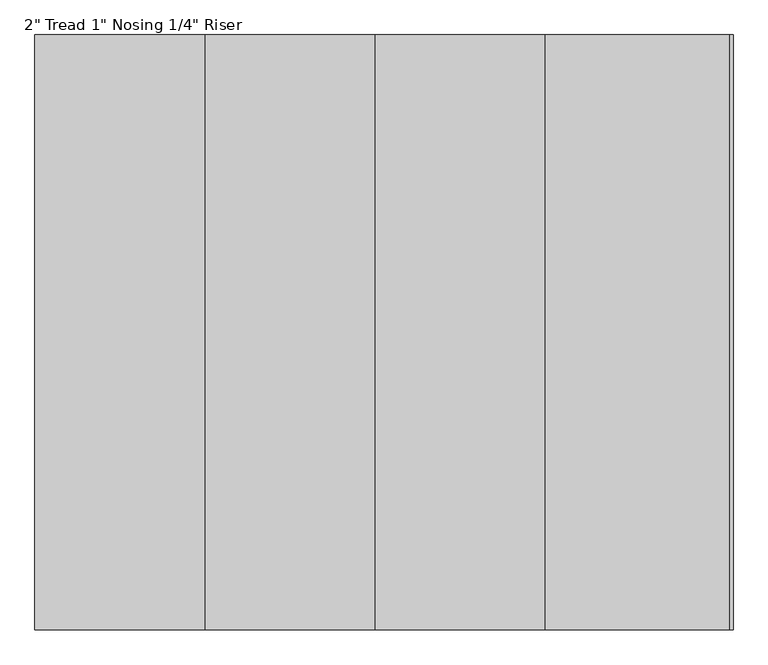
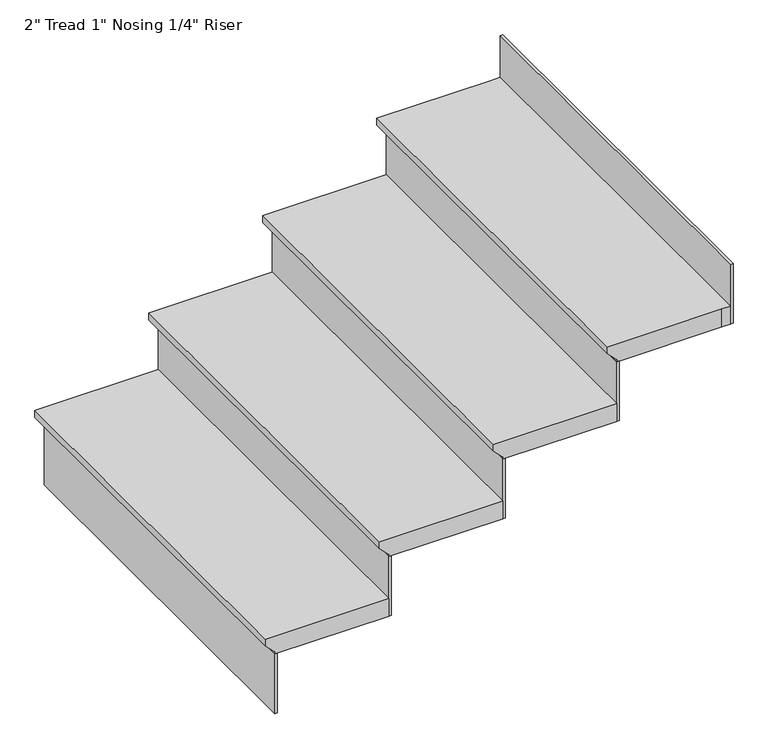
"""IFC4 building model written with IfcOpenShell, lengths in millimetres: stair flight geometry."""

from ifc_helpers import new_model, si_unit, origin, place, context, project, spatial, faceted_brep, source, transform, mapped, element, save


def stair_flight_0c0ae21b(model_context):
    return source(origin(), model_context, "Body", "Brep", [
        faceted_brep([(27200.036035, -7789.4798674, 1162.7970588), (27200.036035, -7789.4798674, 1181.8470588), (27200.036035, -6722.6798674, 1181.8470588), (27200.036035, -6722.6798674, 1162.7970588), (27225.436035, -7789.4798674, 1137.3970588), (27225.436035, -6722.6798674, 1137.3970588), (27530.236035, -7789.4798674, 1181.8470588), (27530.236035, -6722.6798674, 1181.8470588), (27225.436035, -6722.6798674, 1131.0470588), (27530.236035, -6722.6798674, 1131.0470588), (27530.236035, -7789.4798674, 1131.0470588), (27225.436035, -7789.4798674, 1131.0470588)], [[[0, 1, 2, 3]], [[4, 0, 3, 5]], [[2, 1, 6, 7]], [[8, 9, 10, 11]], [[2, 7, 9, 8, 5, 3]], [[8, 11, 4, 5]], [[6, 1, 0, 4, 11, 10]], [[7, 6, 10, 9]]]),
        faceted_brep([(27225.436035, -7789.4798674, 1131.0470588), (27225.436035, -7789.4798674, 962.2117647), (27231.786035, -7789.4798674, 962.2117647), (27231.786035, -7789.4798674, 1131.0470588), (27225.436035, -6722.6798674, 1131.0470588), (27231.786035, -6722.6798674, 1131.0470588), (27231.786035, -6722.6798674, 962.2117647), (27225.436035, -6722.6798674, 962.2117647)], [[[0, 1, 2, 3]], [[4, 5, 6, 7]], [[1, 0, 4, 7]], [[2, 1, 7, 6]], [[3, 2, 6, 5]], [[0, 3, 5, 4]]]),
        faceted_brep([(27530.236035, -7789.4798674, 1299.8823529), (27530.236035, -7789.4798674, 1131.0470588), (27536.586035, -7789.4798674, 1131.0470588), (27536.586035, -7789.4798674, 1299.8823529), (27530.236035, -6722.6798674, 1299.8823529), (27536.586035, -6722.6798674, 1299.8823529), (27536.586035, -6722.6798674, 1131.0470588), (27530.236035, -6722.6798674, 1131.0470588)], [[[0, 1, 2, 3]], [[4, 5, 6, 7]], [[1, 0, 4, 7]], [[2, 1, 7, 6]], [[3, 2, 6, 5]], [[0, 3, 5, 4]]]),
        faceted_brep([(27504.836035, -6722.6798674, 1350.6823529), (27504.836035, -7789.4798674, 1350.6823529), (27835.036035, -7789.4798674, 1350.6823529), (27835.036035, -6722.6798674, 1350.6823529), (27530.236035, -6722.6798674, 1299.8823529), (27835.036035, -6722.6798674, 1299.8823529), (27835.036035, -7789.4798674, 1299.8823529), (27530.236035, -7789.4798674, 1299.8823529), (27530.236035, -6722.6798674, 1306.2323529), (27504.836035, -6722.6798674, 1331.6323529), (27530.236035, -7789.4798674, 1306.2323529), (27504.836035, -7789.4798674, 1331.6323529)], [[[0, 1, 2, 3]], [[4, 5, 6, 7]], [[0, 3, 5, 4, 8, 9]], [[4, 7, 10, 8]], [[2, 1, 11, 10, 7, 6]], [[3, 2, 6, 5]], [[11, 1, 0, 9]], [[10, 11, 9, 8]]]),
        faceted_brep([(27835.036035, -7789.4798674, 1468.7176471), (27835.036035, -7789.4798674, 1299.8823529), (27841.386035, -7789.4798674, 1299.8823529), (27841.386035, -7789.4798674, 1468.7176471), (27835.036035, -6722.6798674, 1468.7176471), (27841.386035, -6722.6798674, 1468.7176471), (27841.386035, -6722.6798674, 1299.8823529), (27835.036035, -6722.6798674, 1299.8823529)], [[[0, 1, 2, 3]], [[4, 5, 6, 7]], [[1, 0, 4, 7]], [[2, 1, 7, 6]], [[3, 2, 6, 5]], [[0, 3, 5, 4]]]),
        faceted_brep([(27809.636035, -6722.6798674, 1519.5176471), (27809.636035, -7789.4798674, 1519.5176471), (28139.836035, -7789.4798674, 1519.5176471), (28139.836035, -6722.6798674, 1519.5176471), (27835.036035, -6722.6798674, 1468.7176471), (28139.836035, -6722.6798674, 1468.7176471), (28139.836035, -7789.4798674, 1468.7176471), (27835.036035, -7789.4798674, 1468.7176471), (27835.036035, -6722.6798674, 1475.0676471), (27809.636035, -6722.6798674, 1500.4676471), (27835.036035, -7789.4798674, 1475.0676471), (27809.636035, -7789.4798674, 1500.4676471)], [[[0, 1, 2, 3]], [[4, 5, 6, 7]], [[0, 3, 5, 4, 8, 9]], [[4, 7, 10, 8]], [[2, 1, 11, 10, 7, 6]], [[3, 2, 6, 5]], [[11, 1, 0, 9]], [[10, 11, 9, 8]]]),
        faceted_brep([(28444.636035, -7789.4798674, 1806.3882353), (28444.636035, -7789.4798674, 1637.5529412), (28450.986035, -7789.4798674, 1637.5529412), (28450.986035, -7789.4798674, 1806.3882353), (28444.636035, -6722.6798674, 1806.3882353), (28450.986035, -6722.6798674, 1806.3882353), (28450.986035, -6722.6798674, 1637.5529412), (28444.636035, -6722.6798674, 1637.5529412)], [[[0, 1, 2, 3]], [[4, 5, 6, 7]], [[1, 0, 4, 7]], [[2, 1, 7, 6]], [[3, 2, 6, 5]], [[0, 3, 5, 4]]]),
        faceted_brep([(28139.836035, -7789.4798674, 1637.5529412), (28139.836035, -7789.4798674, 1468.7176471), (28146.186035, -7789.4798674, 1468.7176471), (28146.186035, -7789.4798674, 1637.5529412), (28139.836035, -6722.6798674, 1637.5529412), (28146.186035, -6722.6798674, 1637.5529412), (28146.186035, -6722.6798674, 1468.7176471), (28139.836035, -6722.6798674, 1468.7176471)], [[[0, 1, 2, 3]], [[4, 5, 6, 7]], [[1, 0, 4, 7]], [[2, 1, 7, 6]], [[3, 2, 6, 5]], [[0, 3, 5, 4]]]),
        faceted_brep([(28444.636035, -6722.6798674, 1688.3529412), (28419.236035, -6722.6798674, 1688.3529412), (28114.436035, -6722.6798674, 1688.3529412), (28114.436035, -7789.4798674, 1688.3529412), (28419.236035, -7789.4798674, 1688.3529412), (28444.636035, -7789.4798674, 1688.3529412), (28419.236035, -6722.6798674, 1637.5529412), (28444.636035, -6722.6798674, 1637.5529412), (28444.636035, -7789.4798674, 1637.5529412), (28419.236035, -7789.4798674, 1637.5529412), (28139.836035, -7789.4798674, 1637.5529412), (28139.836035, -6722.6798674, 1637.5529412), (28139.836035, -6722.6798674, 1643.9029412), (28114.436035, -6722.6798674, 1669.3029412), (28139.836035, -7789.4798674, 1643.9029412), (28114.436035, -7789.4798674, 1669.3029412)], [[[0, 1, 2, 3, 4, 5]], [[6, 7, 8, 9, 10, 11]], [[1, 0, 7, 6]], [[2, 1, 6, 11, 12, 13]], [[11, 10, 14, 12]], [[4, 3, 15, 14, 10, 9]], [[5, 4, 9, 8]], [[0, 5, 8, 7]], [[15, 3, 2, 13]], [[14, 15, 13, 12]]]),
    ])


if __name__ == "__main__":
    model = new_model("IFC4")
    model_context = context("Model", 3, world=origin())
    ifc_project = project(units=[si_unit("LENGTHUNIT", "METRE", prefix="MILLI")], contexts=[model_context])
    site = spatial("IfcSite", under=ifc_project)
    building = spatial("IfcBuilding", under=site)
    placement = place(None, origin())
    stair_flight_shape = stair_flight_0c0ae21b(model_context)
    element("IfcStairFlight", 1, ObjectType="2\" Tread 1\" Nosing 1/4\" Riser", at=placement, inside=building, context=model_context, shape_type="MappedRepresentation", body=[
        mapped(stair_flight_shape, transform((0.0, 0.0, 0.0), x_axis=(1.0, 0.0, 0.0), y_axis=(0.0, 1.0, 0.0), z_axis=(0.0, 0.0, 1.0))),
    ])
    save(model, "model.ifc")
